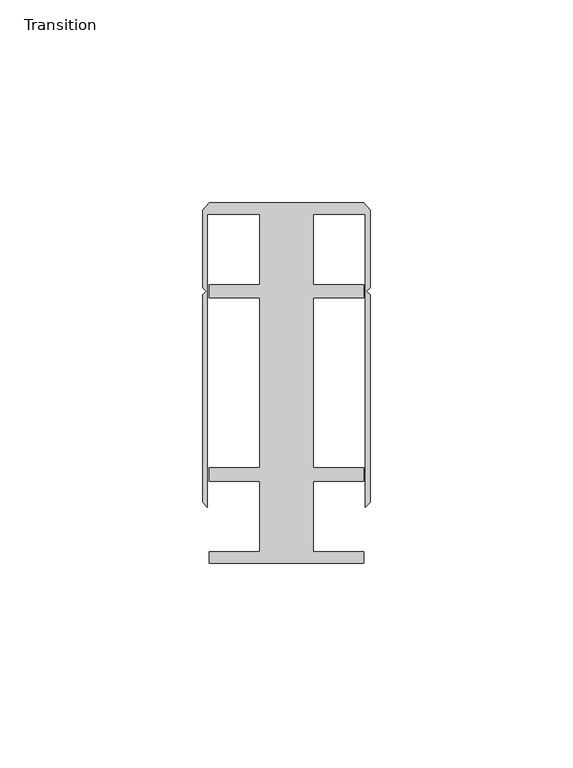
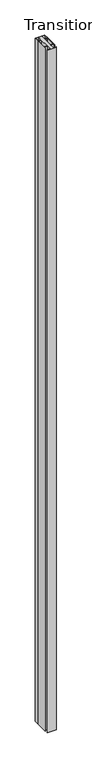
"""IFC4 building model written with IfcOpenShell, lengths in millimetres: furniture geometry, Transition."""

from ifc_helpers import new_model, si_unit, origin, origin_with_axes, place, context, project, spatial, polyline, outline, extrude, source, transform, mapped, element, save


def transition_c7a76f39(model_context):
    return source(origin(), model_context, "Body", "SweptSolid", [
        extrude(outline(polyline([(36.5771534, 57.1518064), (36.5771534, 39.7518058), (49.0271531, 39.7518058), (49.0271531, 36.4518057), (36.5771534, 36.4518057), (36.5771534, -5.4481956), (49.0271531, -5.4481956), (49.0271531, -8.7481957), (36.5771534, -8.7481957), (36.5771534, -26.1481963), (49.0271531, -26.1481963), (49.0271531, -28.948195), (10.9271531, -28.948195), (10.9271531, -26.1481963), (23.3771529, -26.1481963), (23.3771529, -8.7481957), (10.9271531, -8.7481957), (10.9271531, -5.4481956), (23.3771529, -5.4481956), (23.3771529, 36.4518057), (10.9271531, 36.4518057), (10.9271531, 39.7518058), (23.3771529, 39.7518058), (23.3771529, 57.1518064), (10.484743, 57.1518064), (10.484743, -15.1141535), (9.3396531, -13.9690637), (9.3396531, 37.2171998), (10.2479857, 38.1255324), (9.3396531, 39.033865), (9.3396531, 58.0797005), (10.9271531, 59.951805), (49.0271531, 59.951805), (50.6146531, 58.0797005), (50.6146531, 39.033865), (49.7063205, 38.1255324), (50.6146531, 37.2171998), (50.6146531, -13.9690637), (49.4695633, -15.1141535), (49.4695633, 57.1518064), (36.5771534, 57.1518064)])), origin_with_axes(), (0.0, 0.0, 1.0), 3048.0),
    ])


if __name__ == "__main__":
    model = new_model("IFC4")
    model_context = context("Model", 3, world=origin())
    ifc_project = project(units=[si_unit("LENGTHUNIT", "METRE", prefix="MILLI")], contexts=[model_context])
    site = spatial("IfcSite", under=ifc_project)
    building = spatial("IfcBuilding", under=site)
    placement = place(None, origin())
    transition_shape = transition_c7a76f39(model_context)
    element("IfcFurniture", 1, ObjectType="Transition", at=placement, inside=building, context=model_context, shape_type="MappedRepresentation", body=[
        mapped(transition_shape, transform((0.0, 0.0, 0.0), x_axis=(1.0, 0.0, 0.0), y_axis=(0.0, 1.0, 0.0), z_axis=(0.0, 0.0, 1.0))),
    ])
    save(model, "model.ifc")
